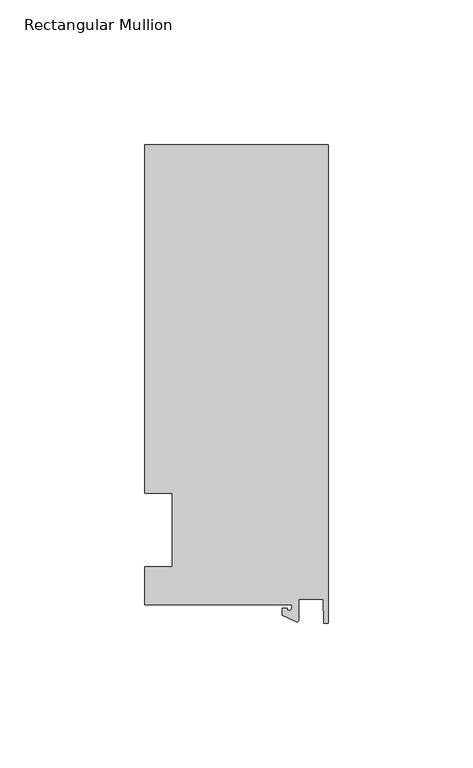
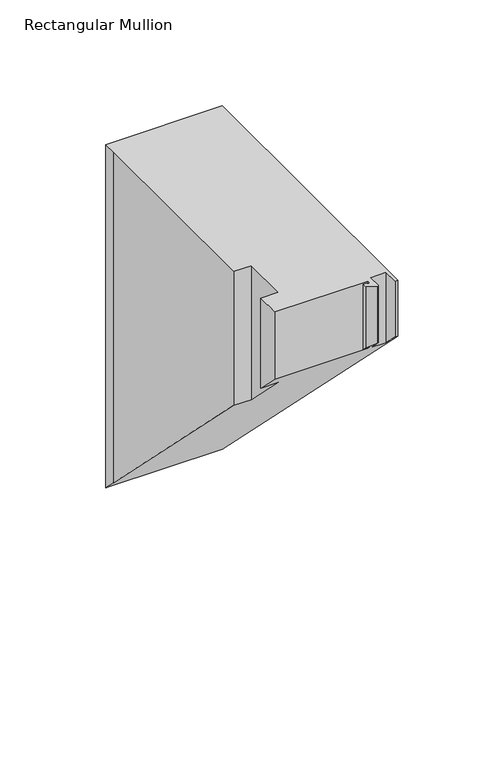
"""IFC4 building model written with IfcOpenShell, lengths in millimetres: member geometry, Rectangular Mullion."""

from ifc_helpers import new_model, si_unit, frame, origin, place, context, project, spatial, polyline, circle_curve, ellipse_curve, source, transform, mapped, element, save
from ifc_brep_helpers import plane_surface, cylinder_surface, revolved_surface, advanced_brep


def rectangular_mullion_f332547e(model_context):
    return source(origin(), model_context, "Body", "AdvancedBrep", [
        advanced_brep(
        [(-12.6173814, -25.796875, 0.0), (-12.6173814, -27.0827507, 0.0), (-14.2048814, -27.0827507, 0.0), (-15.7923814, -27.0827507, 0.0), (-15.7923814, -29.44495, 0.0), (-10.9524715, -31.7018371, 0.0), (-10.2297814, -31.2414327, 0.0), (-10.2297814, -23.9227662, 0.0), (-1.7144124, -23.9227662, 0.0), (-1.5658966, -32.288874, 0.0), (0.0, -32.288874, 0.0), (0.0, 133.34365, 0.0), (-63.5, 133.34365, 0.0), (-63.5, 125.8114907, 0.0), (-63.5, 12.7, 0.0), (-53.975, 12.7, 0.0), (-53.975, -12.7, 0.0), (-63.5, -12.7, 0.0), (-63.5, -25.796875, 0.0), (-12.6173814, -25.796875, -38.649275), (-12.6173814, -27.0827507, -37.3633993), (-14.2048814, -27.0827507, -37.3633993), (-15.7923814, -27.0827507, -37.3633993), (-15.7923814, -29.44495, -35.0012), (-10.9524715, -31.7018371, -32.7443129), (-10.2297814, -31.2414327, -33.2047173), (-10.2297814, -23.9227662, -40.5233838), (-1.7144124, -23.9227662, -40.5233838), (-1.5658966, -32.288874, -32.157276), (0.0, -32.288874, -32.157276), (0.0, 133.34365, -197.7898), (-63.5, 133.34365, -197.7898), (-63.5, 125.8114907, -190.2576407), (-63.5, 12.7, -77.14615), (-53.975, 12.7, -77.14615), (-53.975, -12.7, -51.74615), (-63.5, -12.7, -51.74615), (-63.5, -25.796875, -38.649275)],
        [
            (0, 1),
            (1, 2, circle_curve(frame((-13.4111314, -27.0827507, 0.0), z_axis=(0.0, 0.0, -1.0), x_axis=(-1.0, 0.0, 0.0)), 0.79375)),
            (2, 3),
            (3, 4),
            (4, 5),
            (5, 6, circle_curve(frame((-10.7377814, -31.2414327, 0.0), z_axis=(0.0, 0.0, 1.0), x_axis=(-1.0, 0.0, 0.0)), 0.508)),
            (6, 7),
            (7, 8),
            (8, 9),
            (9, 10),
            (10, 11),
            (11, 12),
            (12, 13),
            (13, 14),
            (14, 15),
            (15, 16),
            (16, 17),
            (17, 18),
            (18, 0),
            (0, 19),
            (19, 20),
            (20, 1),
            (20, 21, ellipse_curve(frame((-13.4111314, -27.0827507, -37.3633993), z_axis=(0.0, -0.7071067811865536, -0.7071067811865416), x_axis=(0.0, 0.7071067811865416, -0.7071067811865533)), 1.122532, 0.79375)),
            (21, 2),
            (21, 22),
            (22, 3),
            (22, 23),
            (23, 4),
            (23, 24),
            (24, 5),
            (24, 25, ellipse_curve(frame((-10.7377814, -31.2414327, -33.2047173), z_axis=(0.0, 0.7071067811865536, 0.7071067811865416), x_axis=(0.0, -0.7071067811865416, 0.7071067811865533)), 0.7184205, 0.508)),
            (25, 6),
            (25, 26),
            (26, 7),
            (26, 27),
            (27, 8),
            (27, 28),
            (28, 9),
            (28, 29),
            (29, 10),
            (29, 30),
            (30, 11),
            (30, 31),
            (31, 12),
            (13, 32),
            (32, 33),
            (33, 14),
            (33, 34),
            (34, 15),
            (34, 35),
            (35, 16),
            (35, 36),
            (36, 17),
            (36, 37),
            (37, 18),
            (37, 19),
            (32, 31),
        ],
        [
            plane_surface(frame((0.0, -147.6914994, 0.0), z_axis=(0.0, 0.0, 1.0), x_axis=(-1.0, 0.0, 0.0))),
            plane_surface(frame((-12.6173814, -25.796875, 0.0), z_axis=(-1.0, 0.0, 0.0), x_axis=(0.0, 0.0, -1.0))),
            revolved_surface(polyline([(-14.2048814, -27.0827507, -38.1571492892989), (-14.2048814, -27.0827507, 0.0)]), (-13.4111314, -27.0827507, 0.0), (0.0, 0.0, -1.0)),
            plane_surface(frame((-14.2048814, -27.0827507, 0.0), z_axis=(0.0, 1.0, 0.0), x_axis=(0.0, 0.0, -1.0))),
            plane_surface(frame((-15.7923814, -27.0827507, 0.0), z_axis=(-1.0, 0.0, 0.0), x_axis=(0.0, 0.0, -1.0))),
            plane_surface(frame((-15.7923814, -29.44495, 0.0), z_axis=(-0.4226182617406985, -0.9063077870366505, 0.0), x_axis=(0.0, 0.0, -1.0))),
            cylinder_surface(frame((-10.7377814, -31.2414327, 0.0), z_axis=(0.0, 0.0, 1.0), x_axis=(-1.0, 0.0, 0.0)), 0.508),
            plane_surface(frame((-10.2297814, -31.2414327, 0.0), z_axis=(1.0, 0.0, 0.0), x_axis=(0.0, 0.0, -1.0))),
            plane_surface(frame((-10.2297814, -23.9227662, 0.0), z_axis=(0.0, -1.0, 0.0), x_axis=(0.0, 0.0, -1.0))),
            plane_surface(frame((-1.7144124, -23.9227662, 0.0), z_axis=(-0.9998424690407919, -0.017749284560600327, 0.0), x_axis=(0.0, 0.0, -1.0))),
            plane_surface(frame((-1.5658966, -32.288874, 0.0), z_axis=(0.0, -1.0, 0.0), x_axis=(0.0, 0.0, -1.0))),
            plane_surface(frame((0.0, -32.288874, 0.0), z_axis=(1.0, 0.0, 0.0), x_axis=(0.0, 0.0, -1.0))),
            plane_surface(frame((0.0, 133.34365, 0.0), z_axis=(0.0, 1.0, 0.0), x_axis=(0.0, 0.0, -1.0))),
            plane_surface(frame((-63.5, 125.8114907, 0.0), z_axis=(-1.0, 0.0, 0.0), x_axis=(0.0, 0.0, -1.0))),
            plane_surface(frame((-63.5, 12.7, 0.0), z_axis=(0.0, -1.0, 0.0), x_axis=(0.0, 0.0, -1.0))),
            plane_surface(frame((-53.975, 12.7, 0.0), z_axis=(-1.0, 0.0, 0.0), x_axis=(0.0, 0.0, -1.0))),
            plane_surface(frame((-53.975, -12.7, 0.0), z_axis=(0.0, 1.0, 0.0), x_axis=(0.0, 0.0, -1.0))),
            plane_surface(frame((-63.5, -12.7, 0.0), z_axis=(-1.0, 0.0, 0.0), x_axis=(0.0, 0.0, -1.0))),
            plane_surface(frame((-63.5, -25.796875, 0.0), z_axis=(0.0, -1.0, 0.0), x_axis=(0.0, 0.0, -1.0))),
            plane_surface(frame((304.8, 0.0, -64.44615), z_axis=(0.0, -0.7071067811865536, -0.7071067811865416), x_axis=(0.0, -0.7071067811865416, 0.7071067811865536))),
            plane_surface(frame((-63.5, 133.34365, 0.0), z_axis=(-1.0, 0.0, 0.0), x_axis=(0.0, 0.0, -1.0))),
        ],
        [
            (0, [[1, 2, 3, 4, 5, 6, 7, 8, 9, 10, 11, 12, 13, 14, 15, 16, 17, 18, 19]]),
            (1, [[-1, 20, 21, 22]]),
            (2, [[-2, -22, 23, 24]]),
            (3, [[-3, -24, 25, 26]]),
            (4, [[-4, -26, 27, 28]]),
            (5, [[-5, -28, 29, 30]]),
            (6, [[-6, -30, 31, 32]]),
            (7, [[-7, -32, 33, 34]]),
            (8, [[-8, -34, 35, 36]]),
            (9, [[-9, -36, 37, 38]]),
            (10, [[-10, -38, 39, 40]]),
            (11, [[-11, -40, 41, 42]]),
            (12, [[-12, -42, 43, 44]]),
            (13, [[-14, 45, 46, 47]]),
            (14, [[-15, -47, 48, 49]]),
            (15, [[-16, -49, 50, 51]]),
            (16, [[-17, -51, 52, 53]]),
            (17, [[-18, -53, 54, 55]]),
            (18, [[-19, -55, 56, -20]]),
            (19, [[-56, -54, -52, -50, -48, -46, 57, -43, -41, -39, -37, -35, -33, -31, -29, -27, -25, -23, -21]]),
            (20, [[-13, -44, -57, -45]]),
        ],
    ),
    ])


if __name__ == "__main__":
    model = new_model("IFC4")
    model_context = context("Model", 3, world=origin())
    ifc_project = project(units=[si_unit("LENGTHUNIT", "METRE", prefix="MILLI")], contexts=[model_context])
    site = spatial("IfcSite", under=ifc_project)
    building = spatial("IfcBuilding", under=site)
    placement = place(None, origin())
    rectangular_mullion_shape = rectangular_mullion_f332547e(model_context)
    element("IfcMember", 1, ObjectType="Rectangular Mullion", at=placement, inside=building, context=model_context, shape_type="MappedRepresentation", body=[
        mapped(rectangular_mullion_shape, transform((0.0, 0.0, 0.0), x_axis=(1.0, 0.0, 0.0), y_axis=(0.0, 1.0, 0.0), z_axis=(0.0, 0.0, 1.0))),
    ])
    save(model, "model.ifc")
